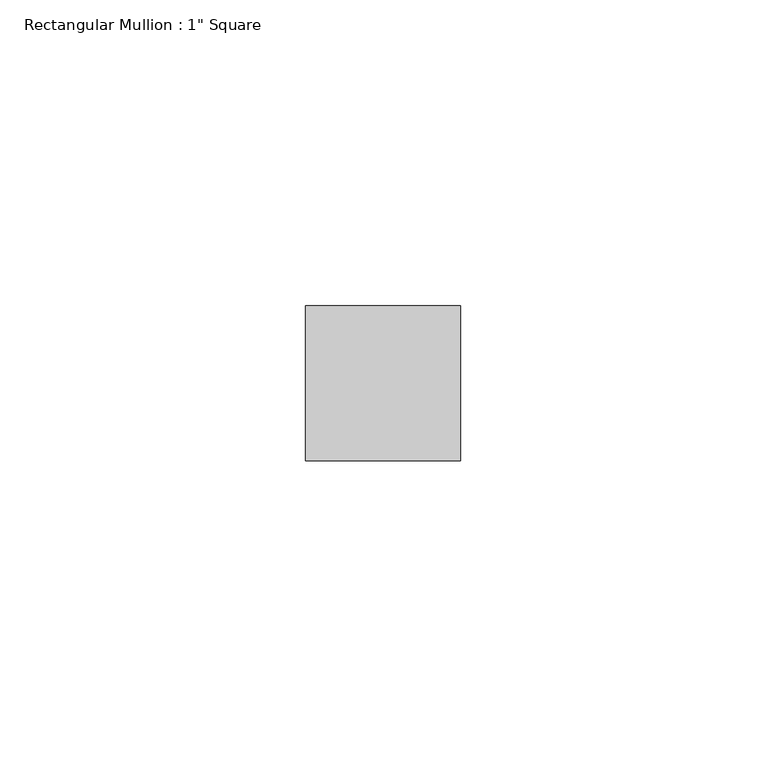
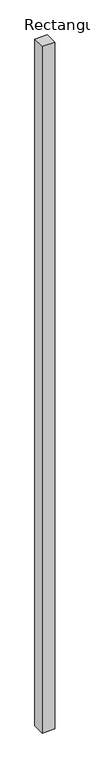
"""IFC4 building model written with IfcOpenShell, lengths in millimetres: member geometry."""

from ifc_helpers import new_model, si_unit, frame, origin, place, context, project, spatial, polyline, outline, extrude, source, transform, mapped, element, save


def member_4736ff6b(model_context):
    return source(origin(), model_context, "Body", "SweptSolid", [
        extrude(outline(polyline([(0.0, 12.7), (0.0, -12.7), (-25.4, -12.7), (-25.4, 12.7), (0.0, 12.7)])), frame((0.0, 0.0, -1473.2), z_axis=(0.0, 0.0, 1.0), x_axis=(1.0, 0.0, 0.0)), (0.0, 0.0, 1.0), 1473.2),
    ])


if __name__ == "__main__":
    model = new_model("IFC4")
    model_context = context("Model", 3, world=origin())
    ifc_project = project(units=[si_unit("LENGTHUNIT", "METRE", prefix="MILLI")], contexts=[model_context])
    site = spatial("IfcSite", under=ifc_project)
    building = spatial("IfcBuilding", under=site)
    placement = place(None, origin())
    member_shape = member_4736ff6b(model_context)
    element("IfcMember", 1, ObjectType="Rectangular Mullion : 1\" Square", at=placement, inside=building, context=model_context, shape_type="MappedRepresentation", body=[
        mapped(member_shape, transform((0.0, 0.0, 0.0), x_axis=(1.0, 0.0, 0.0), y_axis=(0.0, 1.0, 0.0), z_axis=(0.0, 0.0, 1.0))),
    ])
    save(model, "model.ifc")
